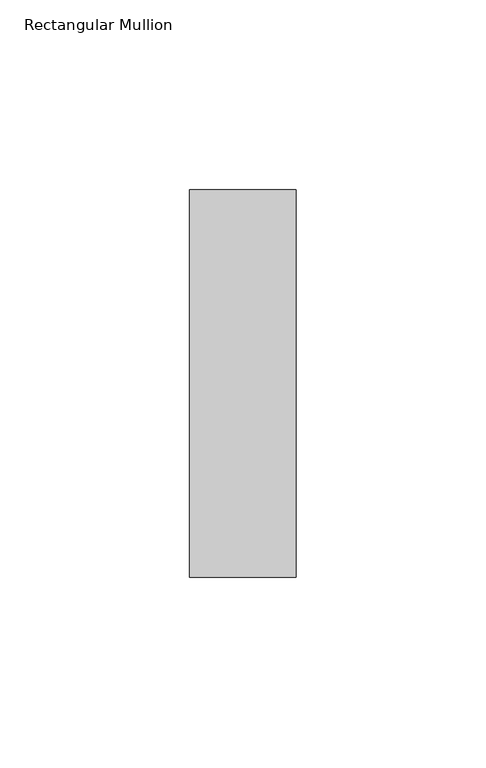
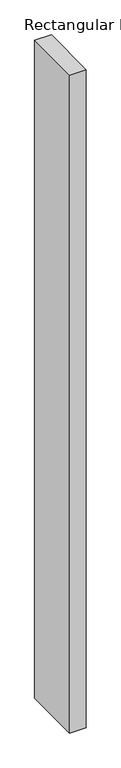
"""IFC4 building model written with IfcOpenShell, lengths in millimetres: member geometry, Rectangular Mullion."""

import ifcopenshell
import ifcopenshell.guid

model = None  # the IFC model being written
_history = None  # IfcOwnerHistory: only IFC2X3 demands one
_inside = {}  # id of a spatial element -> (the spatial element, [elements in it])
_under = {}  # id of a project, library or spatial element -> (it, [spatial elements below it])
_declared = {}  # id of a project -> (the project, [libraries it declares])
_typed = {}  # id of a type object -> (the type object, [elements of that type])
_made_of = {}  # id of a material, layer set ... -> (it, [elements and type objects made of it])


def new_model(schema):
    """Start an empty IFC model of exactly this schema.

    Asked for "IFC4X3", IfcOpenShell would pick the latest addendum, in which some entities
    have other attributes; the version numbers below select the first issue.
    IFC2X3 requires an IfcOwnerHistory on every rooted entity: one is made here for all.
    """
    global model, _history
    if schema == "IFC4X3":
        model = ifcopenshell.file(schema_version=(4, 3, 0, 0))
    else:
        model = ifcopenshell.file(schema=schema)
    _inside.clear()
    _under.clear()
    _declared.clear()
    _typed.clear()
    _made_of.clear()
    _history = None
    if model.schema == "IFC2X3":
        org = make("IfcOrganization", Name="unknown")
        user = make(
            "IfcPersonAndOrganization",
            ThePerson=make("IfcPerson", FamilyName="unknown"),
            TheOrganization=org,
        )
        app = make(
            "IfcApplication",
            ApplicationDeveloper=org,
            Version="unknown",
            ApplicationFullName="unknown",
            ApplicationIdentifier="unknown",
        )
        _history = make(
            "IfcOwnerHistory",
            OwningUser=user,
            OwningApplication=app,
            ChangeAction="ADDED",
            CreationDate=0,
        )
    return model


def make(cls, **values):
    """One entity of the class cls with the attributes given. An attribute that is None is left unset."""
    return model.create_entity(
        cls, **{name: value for name, value in values.items() if value is not None}
    )


def rooted(cls, **values):
    """An entity with a GlobalId (a new one), such as an element, a storey or a relation."""
    return make(cls, GlobalId=ifcopenshell.guid.new(), OwnerHistory=_history, **values)


def si_unit(unit_type, name, prefix=None):
    """IfcSIUnit, for example si_unit("LENGTHUNIT", "METRE", prefix="MILLI")."""
    return make("IfcSIUnit", UnitType=unit_type, Prefix=prefix, Name=name)


def assignment(units):
    """IfcUnitAssignment: the units of a project."""
    return None if units is None else make("IfcUnitAssignment", Units=units)


def point(xyz):
    """IfcCartesianPoint."""
    return None if xyz is None else make("IfcCartesianPoint", Coordinates=xyz)


def direction(xyz):
    """IfcDirection."""
    return None if xyz is None else make("IfcDirection", DirectionRatios=xyz)


def frame(location, z_axis=None, x_axis=None):
    """IfcAxis2Placement3D, a coordinate frame: its origin and axes. An axis left out is left unset."""
    return make(
        "IfcAxis2Placement3D",
        Location=point(location),
        Axis=direction(z_axis),
        RefDirection=direction(x_axis),
    )


def origin():
    """The frame at (0, 0, 0) with its axes left unset."""
    return frame((0.0, 0.0, 0.0))


def place(relative_to, where):
    """IfcLocalPlacement: puts the frame where relative to a parent placement (None: the world)."""
    return make(
        "IfcLocalPlacement", PlacementRelTo=relative_to, RelativePlacement=where
    )


def context(
    kind, dimensions, precision=None, world=None, true_north=None, identifier=None
):
    """IfcGeometricRepresentationContext, for example the 3D "Model" context."""
    return make(
        "IfcGeometricRepresentationContext",
        ContextIdentifier=identifier,
        ContextType=kind,
        CoordinateSpaceDimension=dimensions,
        Precision=precision,
        WorldCoordinateSystem=world,
        TrueNorth=true_north,
    )


def project(units=None, contexts=None):
    """IfcProject with its units and contexts."""
    return rooted(
        "IfcProject",
        Name="project",
        RepresentationContexts=contexts,
        UnitsInContext=assignment(units),
    )


def spatial(cls, under=None, at=None, **own):
    """A site, building, storey or space (cls), placed at a placement, below another one or the project."""
    s = rooted(cls, ObjectPlacement=at, **own)
    if under is not None:
        _under.setdefault(under.id(), (under, []))[1].append(s)
    return s


def polyline(points):
    """IfcPolyline through the points."""
    return make("IfcPolyline", Points=[point(p) for p in points])


def outline(outer, holes=None, kind="AREA"):
    """IfcArbitraryClosedProfileDef: a profile drawn as a closed curve; with holes, ...WithVoids."""
    if holes is None:
        return make("IfcArbitraryClosedProfileDef", ProfileType=kind, OuterCurve=outer)
    return make(
        "IfcArbitraryProfileDefWithVoids",
        ProfileType=kind,
        OuterCurve=outer,
        InnerCurves=holes,
    )


def extrude(swept, where, along, depth):
    """IfcExtrudedAreaSolid: the profile swept, set in the frame where, extruded along a direction by depth."""
    return make(
        "IfcExtrudedAreaSolid",
        SweptArea=swept,
        Position=where,
        ExtrudedDirection=direction(along),
        Depth=depth,
    )


def shape(context_of_items, identifier, shape_type, items):
    """IfcShapeRepresentation: the items that make up one representation, for example the "Body"."""
    return make(
        "IfcShapeRepresentation",
        ContextOfItems=context_of_items,
        RepresentationIdentifier=identifier,
        RepresentationType=shape_type,
        Items=items,
    )


def source(mapping_origin, context_of_items, identifier, shape_type, items):
    """IfcRepresentationMap: a shape defined once, which mapped items show again and again."""
    return make(
        "IfcRepresentationMap",
        MappingOrigin=mapping_origin,
        MappedRepresentation=shape(context_of_items, identifier, shape_type, items),
    )


def transform(
    local_origin,
    x_axis=None,
    y_axis=None,
    z_axis=None,
    scale=None,
    scale2=None,
    scale3=None,
    uniform=True,
):
    """IfcCartesianTransformationOperator3D, or its non-uniform kind. x_axis, y_axis, z_axis: its Axis1, 2, 3."""
    if uniform:
        return make(
            "IfcCartesianTransformationOperator3D",
            Axis1=direction(x_axis),
            Axis2=direction(y_axis),
            LocalOrigin=point(local_origin),
            Scale=scale,
            Axis3=direction(z_axis),
        )
    return make(
        "IfcCartesianTransformationOperator3DnonUniform",
        Axis1=direction(x_axis),
        Axis2=direction(y_axis),
        LocalOrigin=point(local_origin),
        Scale=scale,
        Axis3=direction(z_axis),
        Scale2=scale2,
        Scale3=scale3,
    )


def mapped(mapping_source, mapping_target):
    """IfcMappedItem: shows the shape of a source again, moved by a transform."""
    return make(
        "IfcMappedItem", MappingSource=mapping_source, MappingTarget=mapping_target
    )


def made_of(thing, what):
    """Note that an element or type object is made of a material, layer set ...; save() writes the relation."""
    if what is not None:
        _made_of.setdefault(what.id(), (what, []))[1].append(thing)
    return thing


def element(
    cls,
    number,
    at=None,
    inside=None,
    cuts=None,
    type_object=None,
    material=None,
    context=None,
    identifier="Body",
    shape_type=None,
    held_by="IfcProductDefinitionShape",
    body=None,
    shapes=None,
    **own,
):
    """One element of the class cls, such as IfcWall. Its Tag is "e" and its number.

    at: its placement. inside: the storey or other place that contains it. cuts: it is an
    opening in that element (IfcRelVoidsElement). A single representation is given by context,
    identifier, shape_type and body (its items); several are given by shapes. held_by: the class
    of the entity that holds the representations. save() writes the other relations.
    """
    e = rooted(cls, Tag="e%d" % number, ObjectPlacement=at, **own)
    if body is not None:
        shapes = [shape(context, identifier, shape_type, body)]
    if shapes is not None:
        e.Representation = make(held_by, Representations=shapes)
    if inside is not None:
        _inside.setdefault(inside.id(), (inside, []))[1].append(e)
    if cuts is not None:
        rooted(
            "IfcRelVoidsElement", RelatingBuildingElement=cuts, RelatedOpeningElement=e
        )
    if type_object is not None:
        _typed.setdefault(type_object.id(), (type_object, []))[1].append(e)
    return made_of(e, material)


def aggregate(whole, parts):
    """IfcRelAggregates: a whole, such as a stair, and the parts it consists of."""
    return rooted("IfcRelAggregates", RelatingObject=whole, RelatedObjects=parts)


def save(model, path):
    """Write the relations noted so far, then the file.

    IfcRelAggregates (storeys below a building ...), IfcRelContainedInSpatialStructure (elements
    in a storey), IfcRelDefinesByType, IfcRelAssociatesMaterial and IfcRelDeclares: one each for
    every whole, place, type object, material and project.
    """
    for whole, parts in _under.values():
        aggregate(whole, parts)
    for where, things in _inside.values():
        rooted(
            "IfcRelContainedInSpatialStructure",
            RelatedElements=things,
            RelatingStructure=where,
        )
    for kind, things in _typed.values():
        rooted("IfcRelDefinesByType", RelatedObjects=things, RelatingType=kind)
    for what, things in _made_of.values():
        rooted("IfcRelAssociatesMaterial", RelatedObjects=things, RelatingMaterial=what)
    for by, libraries in _declared.values():
        rooted("IfcRelDeclares", RelatingContext=by, RelatedDefinitions=libraries)
    model.write(path)


def rectangular_mullion_91ba1544(model_context):
    return source(origin(), model_context, "Body", "SweptSolid", [
        extrude(outline(polyline([(-28.0, -51.0), (-28.0, 51.0), (0.0, 51.0), (0.0, -51.0), (-28.0, -51.0)])), frame((0.0, 0.0, -1172.0), z_axis=(0.0, 0.0, 1.0), x_axis=(1.0, 0.0, 0.0)), (0.0, 0.0, 1.0), 1172.0),
    ])


if __name__ == "__main__":
    model = new_model("IFC4")
    model_context = context("Model", 3, world=origin())
    ifc_project = project(units=[si_unit("LENGTHUNIT", "METRE", prefix="MILLI")], contexts=[model_context])
    site = spatial("IfcSite", under=ifc_project)
    building = spatial("IfcBuilding", under=site)
    placement = place(None, origin())
    rectangular_mullion_shape = rectangular_mullion_91ba1544(model_context)
    element("IfcMember", 1, ObjectType="Rectangular Mullion", at=placement, inside=building, context=model_context, shape_type="MappedRepresentation", body=[
        mapped(rectangular_mullion_shape, transform((0.0, 0.0, 0.0), x_axis=(1.0, 0.0, 0.0), y_axis=(0.0, 1.0, 0.0), z_axis=(0.0, 0.0, 1.0))),
    ])
    save(model, "model.ifc")
